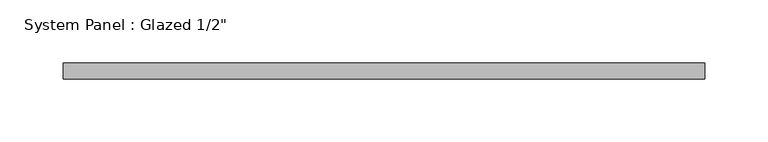
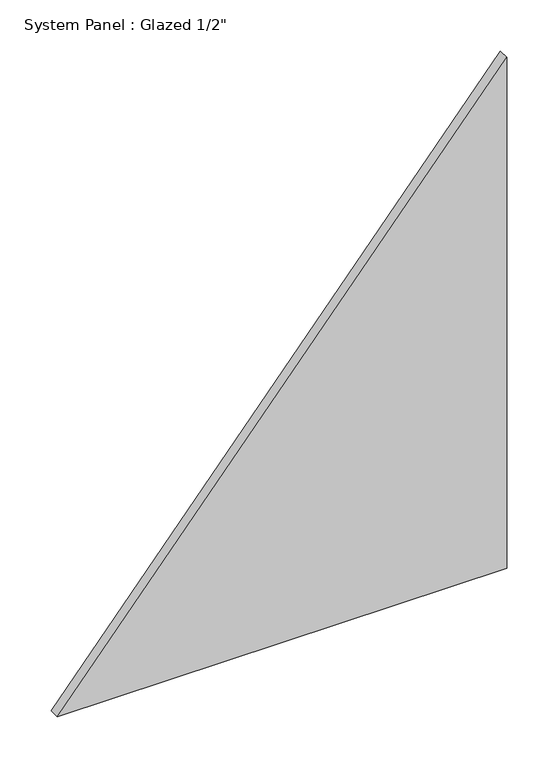
"""IFC4 building model written with IfcOpenShell, lengths in millimetres: plate geometry."""

from ifc_helpers import new_model, si_unit, frame, origin, place, context, project, spatial, polyline, outline, extrude, source, transform, mapped, element, save


def plate_98026829(model_context):
    return source(origin(), model_context, "Body", "SweptSolid", [
        extrude(outline(polyline([(0.0, -254.2570441), (0.0, 254.2570441), (611.1578732, 254.2570441), (0.0, -254.2570441)])), frame((0.0, -6.35, 0.0), z_axis=(0.0, 1.0, 0.0), x_axis=(0.0, 0.0, 1.0)), (0.0, 0.0, 1.0), 12.7),
    ])


if __name__ == "__main__":
    model = new_model("IFC4")
    model_context = context("Model", 3, world=origin())
    ifc_project = project(units=[si_unit("LENGTHUNIT", "METRE", prefix="MILLI")], contexts=[model_context])
    site = spatial("IfcSite", under=ifc_project)
    building = spatial("IfcBuilding", under=site)
    placement = place(None, origin())
    plate_shape = plate_98026829(model_context)
    element("IfcPlate", 1, ObjectType="System Panel : Glazed 1/2\"", at=placement, inside=building, context=model_context, shape_type="MappedRepresentation", body=[
        mapped(plate_shape, transform((0.0, 0.0, 0.0), x_axis=(1.0, 0.0, 0.0), y_axis=(0.0, 1.0, 0.0), z_axis=(0.0, 0.0, 1.0))),
    ])
    save(model, "model.ifc")
